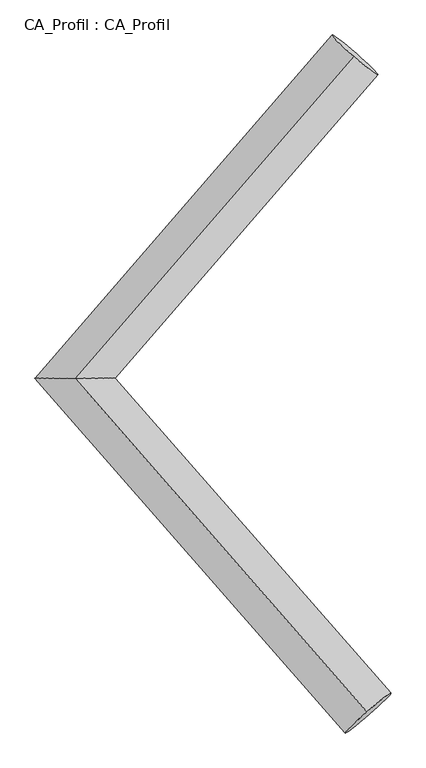
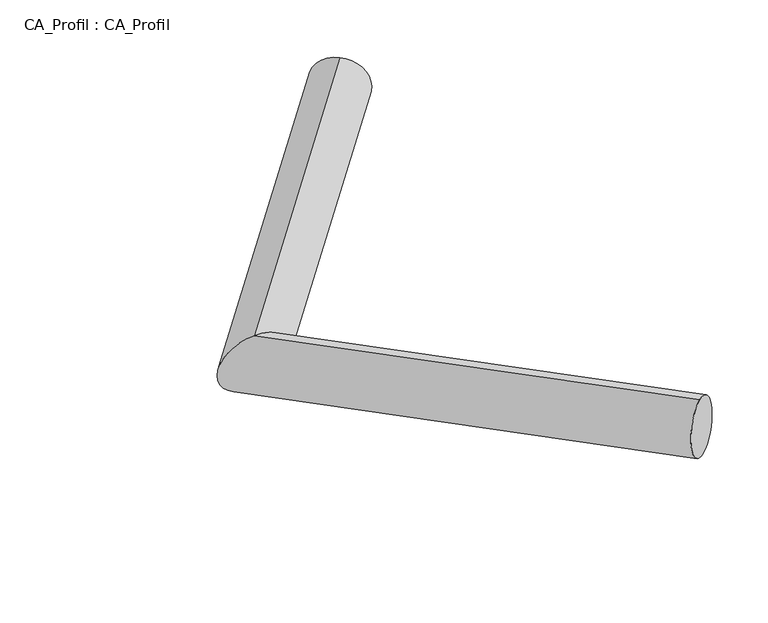
"""IFC4 building model written with IfcOpenShell, lengths in millimetres: plate geometry, CA_Profil : CA_Profil."""

from ifc_helpers import new_model, si_unit, frame, origin, place, context, project, spatial, circle_curve, ellipse_curve, source, transform, mapped, element, save
from ifc_brep_helpers import plane_surface, cylinder_surface, advanced_brep


def ca_profil_ca_profil_e67712bb(model_context):
    return source(origin(), model_context, "Body", "AdvancedBrep", [
        advanced_brep(
        [(6052.3867898, 8767.1187499, -136.5392569), (6032.2183231, 8742.9109721, 362.466972), (3739.1647061, 6096.7570709, -359.5778848), (3738.6547823, 6095.2429291, 141.3238017), (6161.7689741, 3331.2853294, -144.2812652), (6141.4693947, 3352.3616428, 354.8617164)],
        [
            (0, 1, circle_curve(frame((6042.3025565, 8755.014861, 112.9638576), z_axis=(0.6534532403858049, 0.7543402358215752, 0.06300532715526558), x_axis=(-0.04033693342808011, -0.048415555493788016, 0.9980124577317895)), 250.0)),
            (1, 0, circle_curve(frame((6042.3025565, 8755.014861, 112.9638576), z_axis=(0.6534532403858049, 0.7543402358215752, 0.06300532715526558), x_axis=(-0.04033693342808011, -0.048415555493788016, 0.9980124577317895)), 250.0)),
            (0, 2),
            (2, 3, ellipse_curve(frame((3738.9097442, 6096.0, -109.1270416), z_axis=(-0.0028953106795097825, 0.9999912487769227, 0.0030198585463721006), x_axis=(0.9957337007950359, 0.002604439338473447, 0.0922367280249809)), 332.1676678, 250.0)),
            (3, 1),
            (3, 2, ellipse_curve(frame((3738.9097442, 6096.0, -109.1270416), z_axis=(-0.0028953106795097825, 0.9999912487769227, 0.0030198585463721006), x_axis=(0.9957337007950359, 0.002604439338473447, 0.0922367280249809)), 332.1676678, 250.0)),
            (4, 5, circle_curve(frame((6151.6191844, 3341.8234861, 105.2902256), z_axis=(0.6578114470393641, -0.7509104941824656, 0.05845964309353477), x_axis=(-0.04059915874801873, 0.042152626705832315, 0.9982859632243418)), 250.0)),
            (5, 4, circle_curve(frame((6151.6191844, 3341.8234861, 105.2902256), z_axis=(0.6578114470393641, -0.7509104941824656, 0.05845964309353477), x_axis=(-0.04059915874801873, 0.042152626705832315, 0.9982859632243418)), 250.0)),
            (2, 4),
            (5, 3),
        ],
        [
            plane_surface(frame((6042.3025565, 8775.823343, -136.1686515), z_axis=(0.6534532403858041, 0.7543402358215757, 0.06300532715526538), x_axis=(0.7569668834429235, -0.6511857813501926, -0.054389480031038155))),
            cylinder_surface(frame((6042.3025565, 8755.014861, 112.9638576), z_axis=(0.6534532403858049, 0.7543402358215752, 0.06300532715526558), x_axis=(-0.04033693342808011, -0.048415555493788016, 0.9980124577317895)), 250.0),
            plane_surface(frame((6151.6191844, 3322.4192807, -143.9555905), z_axis=(0.6578114470393648, -0.7509104941824648, 0.05845964309353473), x_axis=(0.753182647266901, 0.6558270036725512, -0.05105723366876185))),
            cylinder_surface(frame((3738.9097442, 6096.0, -109.1270416), z_axis=(-0.657811447039364, 0.7509104941824654, -0.058459643093534755), x_axis=(-0.04059915874801873, 0.042152626705832315, 0.9982859632243418)), 250.0),
        ],
        [
            (0, [[1, 2]]),
            (1, [[-1, 3, 4, 5]]),
            (1, [[-2, -5, 6, -3]]),
            (2, [[7, 8]]),
            (3, [[-4, 9, -8, 10]]),
            (3, [[-6, -10, -7, -9]]),
        ],
    ),
    ])


if __name__ == "__main__":
    model = new_model("IFC4")
    model_context = context("Model", 3, world=origin())
    ifc_project = project(units=[si_unit("LENGTHUNIT", "METRE", prefix="MILLI")], contexts=[model_context])
    site = spatial("IfcSite", under=ifc_project)
    building = spatial("IfcBuilding", under=site)
    placement = place(None, origin())
    ca_profil_ca_profil_shape = ca_profil_ca_profil_e67712bb(model_context)
    element("IfcPlate", 1, ObjectType="CA_Profil : CA_Profil", at=placement, inside=building, context=model_context, shape_type="MappedRepresentation", body=[
        mapped(ca_profil_ca_profil_shape, transform((0.0, 0.0, 0.0), x_axis=(1.0, 0.0, 0.0), y_axis=(0.0, 1.0, 0.0), z_axis=(0.0, 0.0, 1.0))),
    ])
    save(model, "model.ifc")
